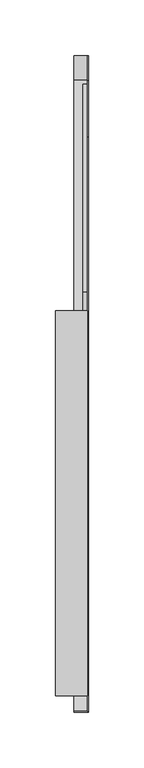
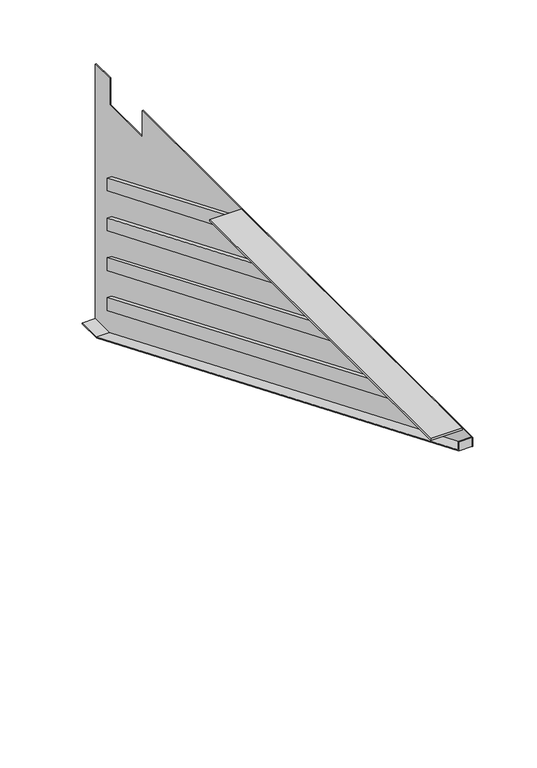
"""IFC4 building model written with IfcOpenShell, lengths in millimetres: furniture geometry."""

from ifc_helpers import new_model, si_unit, frame, origin, place, context, project, spatial, polyline, outline, extrude, source, transform, mapped, element, save


def furniture_72872270(model_context):
    return source(origin(), model_context, "Body", "SweptSolid", [
        extrude(outline(polyline([(-14.2240001, 152.124175), (-14.2240001, 139.9321685), (-231.6150049, 229.5156221), (-200.3729984, 229.5156221), (-14.2240001, 152.124175)])), frame((-6.4262, 0.0, 0.0), z_axis=(1.0, 0.0, 0.0), x_axis=(0.0, 1.0, 0.0)), (0.0, 0.0, 1.0), 3.9243),
        extrude(outline(polyline([(-14.2240001, 114.024175), (-14.2240001, 101.8321685), (-322.6978174, 229.5156221), (-291.4558109, 229.5156221), (-14.2240001, 114.024175)])), frame((-6.4262, 0.0, 0.0), z_axis=(1.0, 0.0, 0.0), x_axis=(0.0, 1.0, 0.0)), (0.0, 0.0, 1.0), 3.9243),
        extrude(outline(polyline([(-14.2240001, 75.924175), (-14.2240001, 63.7321685), (-412.6037395, 229.0233375), (-381.3617512, 229.0233375), (-14.2240001, 75.924175)])), frame((-6.4262, 0.0, 0.0), z_axis=(1.0, 0.0, 0.0), x_axis=(0.0, 1.0, 0.0)), (0.0, 0.0, 1.0), 3.9243),
        extrude(outline(polyline([(-14.2240001, 37.824175), (-14.2240001, 25.6321685), (-504.8634424, 229.5156221), (-473.6214177, 229.5156221), (-14.2240001, 37.824175)])), frame((-6.4262, 0.0, 0.0), z_axis=(1.0, 0.0, 0.0), x_axis=(0.0, 1.0, 0.0)), (0.0, 0.0, 1.0), 3.9243),
        extrude(outline(polyline([(-10.8969517, 0.9052719), (11.1759996, 0.9052719), (11.1759996, -0.0091281), (-11.0795277, -0.0091281), (-577.8500004, 235.7200487), (-577.8500004, 244.3134719), (-576.9356004, 244.3134719), (-576.9356004, 236.330071), (-10.8969517, 0.9052719)])), frame((-14.3002, 0.0, 0.0), z_axis=(1.0, 0.0, 0.0), x_axis=(0.0, 1.0, 0.0)), (0.0, 0.0, 1.0), 11.7856),
        extrude(outline(polyline([(-31.0388, -562.8640004), (-31.0388, -217.4239997), (-2.5019, -217.4239997), (-2.5019, -562.8640004), (-31.0388, -562.8640004)])), frame((0.0, 0.0, 242.7894719), z_axis=(0.0, 0.0, 1.0), x_axis=(1.0, 0.0, 0.0)), (0.0, 0.0, 1.0), 1.524),
        extrude(outline(polyline([(11.1759996, -0.0091281), (-11.0795277, -0.0091281), (-577.8500004, 235.7200487), (-577.8500004, 244.3134719), (-61.8489997, 244.3134719), (-61.8489997, 218.9134719), (-11.0489997, 218.9134719), (-11.0489997, 244.3134719), (11.1759996, 244.3134719), (11.1759996, -0.0091281)])), frame((-2.5019, 0.0, 0.0), z_axis=(1.0, 0.0, 0.0), x_axis=(0.0, 1.0, 0.0)), (0.0, 0.0, 1.0), 0.9144),
    ])


if __name__ == "__main__":
    model = new_model("IFC4")
    model_context = context("Model", 3, world=origin())
    ifc_project = project(units=[si_unit("LENGTHUNIT", "METRE", prefix="MILLI")], contexts=[model_context])
    site = spatial("IfcSite", under=ifc_project)
    building = spatial("IfcBuilding", under=site)
    placement = place(None, origin())
    furniture_shape = furniture_72872270(model_context)
    element("IfcFurniture", 1, at=placement, inside=building, context=model_context, shape_type="MappedRepresentation", body=[
        mapped(furniture_shape, transform((0.0, 0.0, 0.0), x_axis=(1.0, 0.0, 0.0), y_axis=(0.0, 1.0, 0.0), z_axis=(0.0, 0.0, 1.0))),
    ])
    save(model, "model.ifc")
